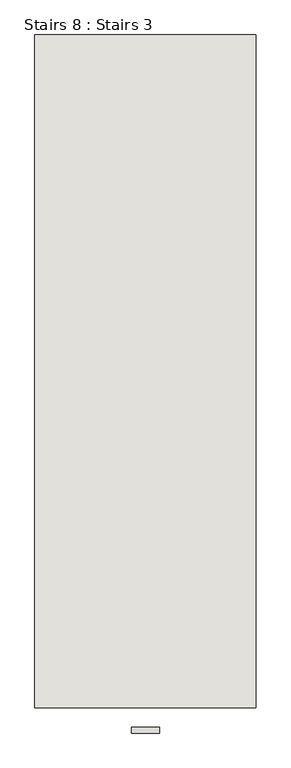
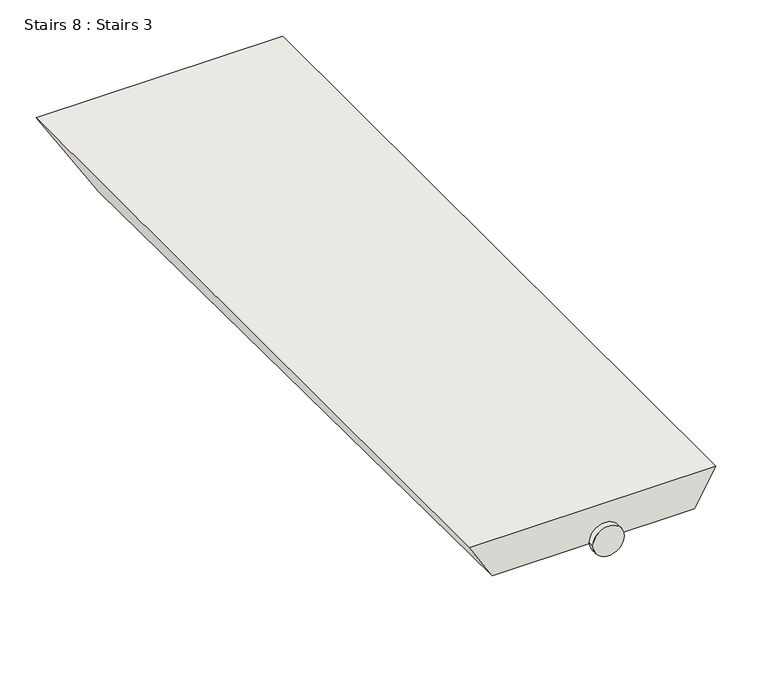
"""IFC4 building model written with IfcOpenShell, lengths in millimetres: wall geometry, Stairs 8 : Stairs 3."""

from ifc_helpers import new_model, si_unit, point, frame, frame_2d, origin, place, context, project, spatial, circle_curve, trimmed, segment, composite_curve, outline, extrude, faceted_brep, source, transform, mapped, element, save


def stairs_8_stairs_3_1239e15c(model_context):
    return source(origin(), model_context, "Body", "SolidModel", [
        extrude(outline(composite_curve([segment(trimmed(circle_curve(frame_2d((69934.1793581, 100445.2421353)), 25.0), [point((69934.1793581, 100470.2421353))], [point((69934.1793581, 100420.2421353))], False, "CARTESIAN"), True, "CONTINUOUS"), segment(trimmed(circle_curve(frame_2d((69934.1793581, 100445.2421353)), 25.0), [point((69934.1793581, 100420.2421353))], [point((69934.1793581, 100470.2421353))], False, "CARTESIAN"), True, "CONTINUOUS")], self_intersect=False)), frame((0.0, -36520.9230841, 0.0), z_axis=(0.0, 1.0, 0.0), x_axis=(0.0, 0.0, 1.0)), (0.0, 0.0, 1.0), 10.0),
        faceted_brep([(100642.589115, -36475.9230841, 69964.1793581), (100247.8951556, -36475.9230841, 69964.1793581), (100285.3873167, -36475.9230841, 69904.1793581), (100607.9480989, -36475.9230841, 69904.1793581), (100247.8951556, -35275.9230841, 69964.1793581), (100642.589115, -35275.9230841, 69964.1793581), (100550.213072, -35275.9230841, 69804.1793581), (100347.8742519, -35275.9230841, 69804.1793581)], [[[0, 1, 2, 3]], [[4, 5, 6, 7]], [[5, 4, 1, 0]], [[7, 6, 3, 2]], [[2, 1, 4, 7]], [[0, 3, 6, 5]]]),
    ])


if __name__ == "__main__":
    model = new_model("IFC4")
    model_context = context("Model", 3, world=origin())
    ifc_project = project(units=[si_unit("LENGTHUNIT", "METRE", prefix="MILLI")], contexts=[model_context])
    site = spatial("IfcSite", under=ifc_project)
    building = spatial("IfcBuilding", under=site)
    placement = place(None, origin())
    stairs_8_stairs_3_shape = stairs_8_stairs_3_1239e15c(model_context)
    element("IfcWall", 1, ObjectType="Stairs 8 : Stairs 3", at=placement, inside=building, context=model_context, shape_type="MappedRepresentation", body=[
        mapped(stairs_8_stairs_3_shape, transform((0.0, 0.0, 0.0), x_axis=(1.0, 0.0, 0.0), y_axis=(0.0, 1.0, 0.0), z_axis=(0.0, 0.0, 1.0))),
    ])
    save(model, "model.ifc")
